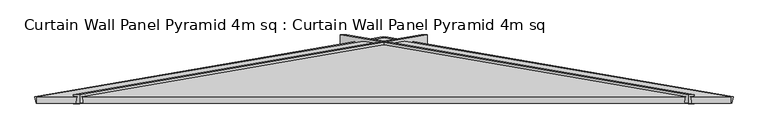
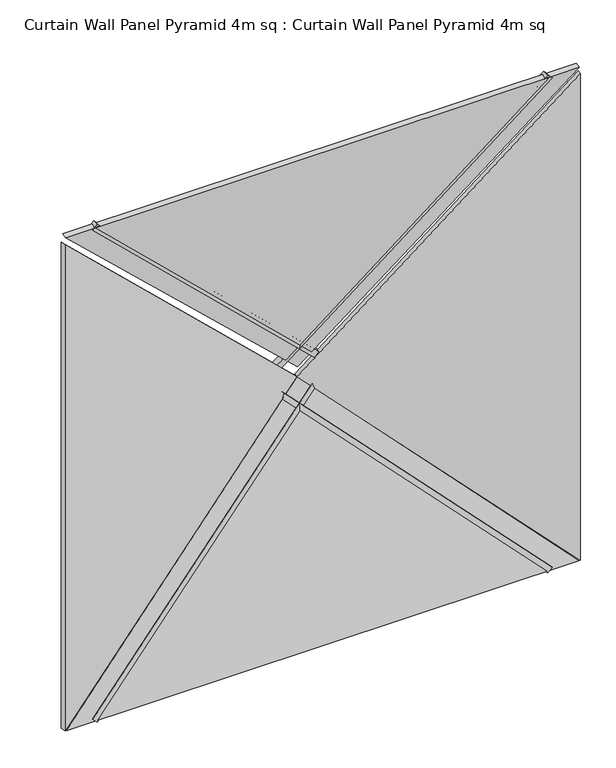
"""IFC4 building model written with IfcOpenShell, lengths in millimetres: plate geometry, Curtain Wall Panel Pyramid 4m sq : Curtain Wall Panel Pyramid 4m sq."""

from ifc_helpers import new_model, si_unit, frame, origin, place, context, project, spatial, polyline, outline, extrude, source, transform, mapped, element, save


def curtain_wall_panel_pyramid_4m_sq_curtain_wall_panel_pyramid_04506f66(model_context):
    return source(origin(), model_context, "Body", "SweptSolid", [
        extrude(outline(polyline([(-25.0, 0.0), (25.0, 0.0), (-319.5008531, -2828.2124727), (-369.5008531, -2828.2124727), (-25.0, 0.0)])), frame((1749.8223305, 25.0, -17.6776695), z_axis=(0.7071067811865489, 0.0, 0.7071067811865462), x_axis=(0.0, -1.0, 0.0)), (0.0, 0.0, 1.0), 50.0),
        extrude(outline(polyline([(-25.0, 0.0), (25.0, 0.0), (369.5008531, -2828.2124727), (319.5008531, -2828.2124727), (-25.0, 0.0)])), frame((-1749.8223305, 25.0, -17.6776695), z_axis=(-0.7071067811865476, 0.0, 0.7071067811865476), x_axis=(0.0, 1.0, 0.0)), (0.0, 0.0, 1.0), 50.0),
        extrude(outline(polyline([(-25.0, 0.0), (25.0, 0.0), (369.5008531, -2828.2124727), (319.5008531, -2828.2124727), (-25.0, 0.0)])), frame((-1785.1776695, 25.0, 4032.3223305), z_axis=(0.7071067811865489, 0.0, 0.7071067811865462), x_axis=(0.0, 1.0, 0.0)), (0.0, 0.0, 1.0), 50.0),
        extrude(outline(polyline([(-25.0, 0.0), (25.0, 0.0), (-319.5008531, -2828.2124727), (-369.5008531, -2828.2124727), (-25.0, 0.0)])), frame((1785.1776695, 25.0, 4032.3223305), z_axis=(-0.7071067811865472, 0.0, 0.7071067811865479), x_axis=(0.0, -1.0, 0.0)), (0.0, 0.0, 1.0), 50.0),
        extrude(outline(polyline([(1993.2098768, -1014.7271131), (-2.1709376, 1016.8143409), (3988.5906912, 1016.8143409), (1993.2098768, -1014.7271131)])), frame((1000.0, 172.8335872, 0.0), z_axis=(0.16975307948003834, 0.9854866270056859, 0.0), x_axis=(0.0, 0.0, 1.0)), (0.0, 0.0, 1.0), 40.0),
        extrude(outline(polyline([(0.0, -1014.7271131), (-1991.3928218, 1012.7540773), (1991.3928218, 1012.7540773), (0.0, -1014.7271131)])), frame((0.0, 212.2530523, 986.4197536), z_axis=(0.0, -0.9854866270056859, 0.16975307948003834), x_axis=(-1.0, 0.0, 0.0)), (0.0, 0.0, 1.0), 40.0),
        extrude(outline(polyline([(1993.2098768, 1014.7271131), (3986.6374086, -1014.8256606), (-0.217655, -1014.8256606), (1993.2098768, 1014.7271131)])), frame((-1000.0, 172.8335872, 0.0), z_axis=(-0.16975307948003834, 0.9854866270056859, 0.0), x_axis=(0.0, 0.0, 1.0)), (0.0, 0.0, 1.0), 40.0),
        extrude(outline(polyline([(1996.304868, -1017.8221042), (-1996.2959025, -1017.8221042), (2.4233431, 976.0594205), (1996.304868, -1017.8221042)])), frame((0.0, 172.8335872, 3043.2098768), z_axis=(0.0, 0.9854866270056859, 0.16975307948003832), x_axis=(1.0, 0.0, 0.0)), (0.0, 0.0, 1.0), 40.0),
    ])


if __name__ == "__main__":
    model = new_model("IFC4")
    model_context = context("Model", 3, world=origin())
    ifc_project = project(units=[si_unit("LENGTHUNIT", "METRE", prefix="MILLI")], contexts=[model_context])
    site = spatial("IfcSite", under=ifc_project)
    building = spatial("IfcBuilding", under=site)
    placement = place(None, origin())
    curtain_wall_panel_pyramid_4m_sq_curtain_wall_panel_pyramid_shape = curtain_wall_panel_pyramid_4m_sq_curtain_wall_panel_pyramid_04506f66(model_context)
    element("IfcPlate", 1, ObjectType="Curtain Wall Panel Pyramid 4m sq : Curtain Wall Panel Pyramid 4m sq", at=placement, inside=building, context=model_context, shape_type="MappedRepresentation", body=[
        mapped(curtain_wall_panel_pyramid_4m_sq_curtain_wall_panel_pyramid_shape, transform((0.0, 0.0, 0.0), x_axis=(1.0, 0.0, 0.0), y_axis=(0.0, 1.0, 0.0), z_axis=(0.0, 0.0, 1.0))),
    ])
    save(model, "model.ifc")
